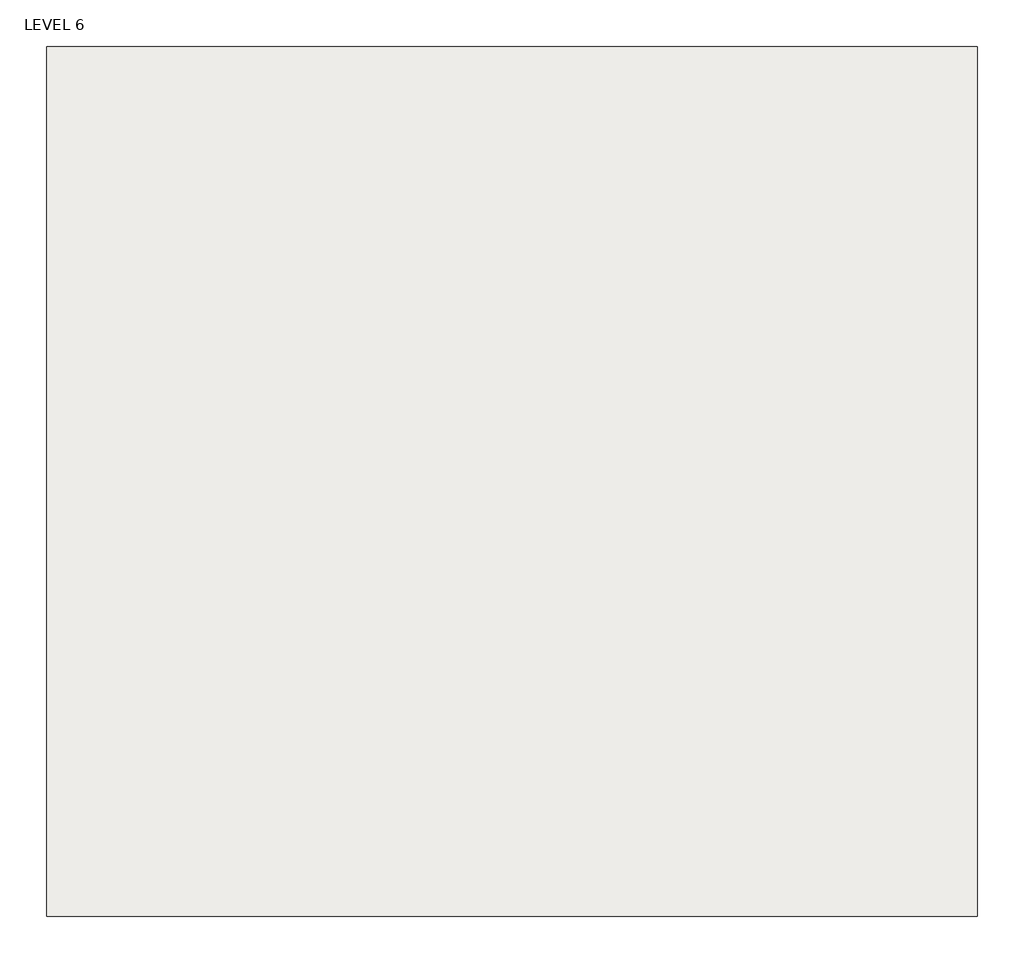
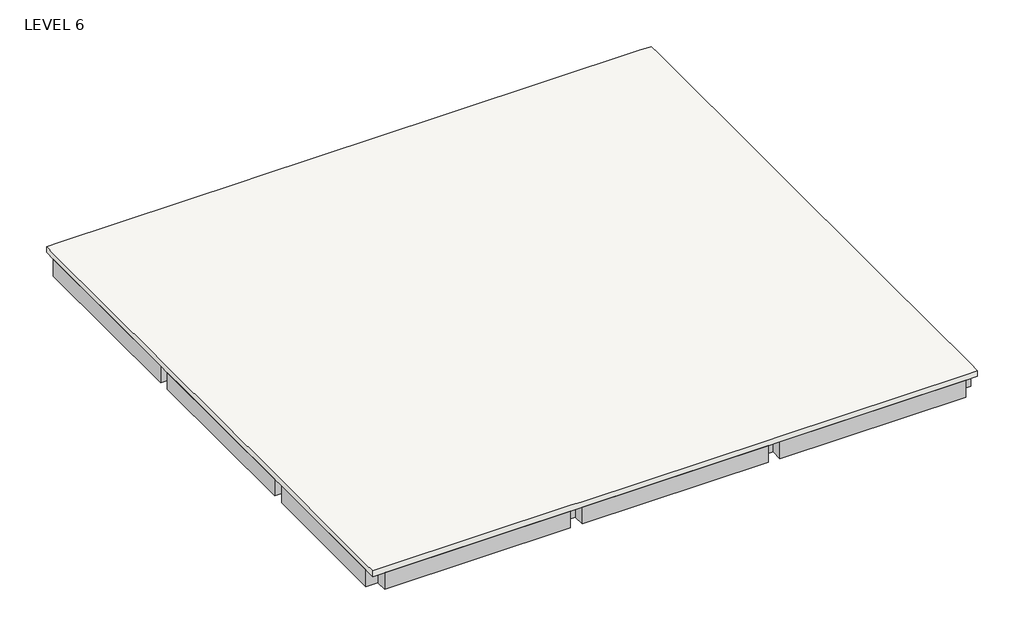
# One storey: 8 beams, 1 slab.
"""IFC4 building model written with IfcOpenShell, lengths in millimetres."""

from ifc_helpers import new_model, si_unit, frame, origin, place, context, project, spatial, polyline, outline, extrude, faceted_brep, element, save

model = new_model("IFC4")

# Units and contexts
model_context = context("Model", 3, world=origin())
ifc_project = project(units=[si_unit("LENGTHUNIT", "METRE", prefix="MILLI")], contexts=[model_context])

# Site, building, storey
site = spatial("IfcSite", under=ifc_project)
building = spatial("IfcBuilding", under=site)
storey = spatial("IfcBuildingStorey", under=building, Name="LEVEL 6", Elevation=4000.0)

# Beams
placement = place(None, origin())
element("IfcBeam", 1, ObjectType="M_Concrete-Rectangular Beam : 300 x 600mm", at=placement, inside=storey, context=model_context, shape_type="SweptSolid", body=[
    extrude(outline(polyline([(-32641.1943878, -22458.351884), (-32641.1943878, -22758.351884), (-37341.1943878, -22758.351884), (-37341.1943878, -22458.351884), (-32641.1943878, -22458.351884)])), frame((0.0, 0.0, 3400.0), z_axis=(0.0, 0.0, 1.0), x_axis=(1.0, 0.0, 0.0)), (0.0, 0.0, 1.0), 450.0),
    extrude(outline(polyline([(-47341.1943878, -22758.351884), (-47341.1943878, -22458.351884), (-42641.1943878, -22458.351884), (-42641.1943878, -22758.351884), (-47341.1943878, -22758.351884)])), frame((0.0, 0.0, 3400.0), z_axis=(0.0, 0.0, 1.0), x_axis=(1.0, 0.0, 0.0)), (0.0, 0.0, 1.0), 450.0),
    extrude(outline(polyline([(-42341.1943878, -22758.351884), (-42341.1943878, -22458.351884), (-37641.1943878, -22458.351884), (-37641.1943878, -22758.351884), (-42341.1943878, -22758.351884)])), frame((0.0, 0.0, 3400.0), z_axis=(0.0, 0.0, 1.0), x_axis=(1.0, 0.0, 0.0)), (0.0, 0.0, 1.0), 450.0),
])
element("IfcBeam", 2, ObjectType="M_Concrete-Rectangular Beam : 300 x 600mm", at=placement, inside=storey, context=model_context, shape_type="SweptSolid", body=[
    extrude(outline(polyline([(-32341.1943878, -36458.351884), (-32641.1943878, -36458.351884), (-32641.1943878, -32758.351884), (-32341.1943878, -32758.351884), (-32341.1943878, -36458.351884)])), frame((0.0, 0.0, 3400.0), z_axis=(0.0, 0.0, 1.0), x_axis=(1.0, 0.0, 0.0)), (0.0, 0.0, 1.0), 450.0),
    extrude(outline(polyline([(-32641.1943878, -22758.351884), (-32341.1943878, -22758.351884), (-32341.1943878, -27458.351884), (-32641.1943878, -27458.351884), (-32641.1943878, -22758.351884)])), frame((0.0, 0.0, 3400.0), z_axis=(0.0, 0.0, 1.0), x_axis=(1.0, 0.0, 0.0)), (0.0, 0.0, 1.0), 450.0),
    extrude(outline(polyline([(-32341.1943878, -32458.351884), (-32641.1943878, -32458.351884), (-32641.1943878, -27758.351884), (-32341.1943878, -27758.351884), (-32341.1943878, -32458.351884)])), frame((0.0, 0.0, 3400.0), z_axis=(0.0, 0.0, 1.0), x_axis=(1.0, 0.0, 0.0)), (0.0, 0.0, 1.0), 450.0),
])
element("IfcBeam", 3, ObjectType="M_Concrete-Rectangular Beam : 300 x 600mm", at=placement, inside=storey, context=model_context, shape_type="SweptSolid", body=[
    extrude(outline(polyline([(-47341.1943878, -36458.351884), (-47641.1943878, -36458.351884), (-47641.1943878, -32758.351884), (-47341.1943878, -32758.351884), (-47341.1943878, -36458.351884)])), frame((0.0, 0.0, 3400.0), z_axis=(0.0, 0.0, 1.0), x_axis=(1.0, 0.0, 0.0)), (0.0, 0.0, 1.0), 450.0),
    extrude(outline(polyline([(-47641.1943878, -22758.351884), (-47341.1943878, -22758.351884), (-47341.1943878, -27458.351884), (-47641.1943878, -27458.351884), (-47641.1943878, -22758.351884)])), frame((0.0, 0.0, 3400.0), z_axis=(0.0, 0.0, 1.0), x_axis=(1.0, 0.0, 0.0)), (0.0, 0.0, 1.0), 450.0),
    extrude(outline(polyline([(-47341.1943878, -32458.351884), (-47641.1943878, -32458.351884), (-47641.1943878, -27758.351884), (-47341.1943878, -27758.351884), (-47341.1943878, -32458.351884)])), frame((0.0, 0.0, 3400.0), z_axis=(0.0, 0.0, 1.0), x_axis=(1.0, 0.0, 0.0)), (0.0, 0.0, 1.0), 450.0),
])
element("IfcBeam", 4, ObjectType="M_Concrete-Rectangular Beam : 300 x 600mm", at=placement, inside=storey, context=model_context, shape_type="SweptSolid", body=[
    extrude(outline(polyline([(-32641.1943878, -36458.351884), (-32641.1943878, -36758.351884), (-37341.1943878, -36758.351884), (-37341.1943878, -36458.351884), (-32641.1943878, -36458.351884)])), frame((0.0, 0.0, 3400.0), z_axis=(0.0, 0.0, 1.0), x_axis=(1.0, 0.0, 0.0)), (0.0, 0.0, 1.0), 450.0),
    extrude(outline(polyline([(-47341.1943878, -36758.351884), (-47341.1943878, -36458.351884), (-42641.1943878, -36458.351884), (-42641.1943878, -36758.351884), (-47341.1943878, -36758.351884)])), frame((0.0, 0.0, 3400.0), z_axis=(0.0, 0.0, 1.0), x_axis=(1.0, 0.0, 0.0)), (0.0, 0.0, 1.0), 450.0),
    extrude(outline(polyline([(-42341.1943878, -36758.351884), (-42341.1943878, -36458.351884), (-37641.1943878, -36458.351884), (-37641.1943878, -36758.351884), (-42341.1943878, -36758.351884)])), frame((0.0, 0.0, 3400.0), z_axis=(0.0, 0.0, 1.0), x_axis=(1.0, 0.0, 0.0)), (0.0, 0.0, 1.0), 450.0),
])
element("IfcBeam", 5, ObjectType="M_Concrete-Rectangular Beam : 300 x 600mm", at=placement, inside=storey, context=model_context, shape_type="SweptSolid", body=[
    extrude(outline(polyline([(-37341.1943878, -27758.351884), (-37341.1943878, -27458.351884), (-32641.1943878, -27458.351884), (-32641.1943878, -27758.351884), (-37341.1943878, -27758.351884)])), frame((0.0, 0.0, 3400.0), z_axis=(0.0, 0.0, 1.0), x_axis=(1.0, 0.0, 0.0)), (0.0, 0.0, 1.0), 450.0),
    extrude(outline(polyline([(-42341.1943878, -27758.351884), (-42341.1943878, -27458.351884), (-37641.1943878, -27458.351884), (-37641.1943878, -27758.351884), (-42341.1943878, -27758.351884)])), frame((0.0, 0.0, 3400.0), z_axis=(0.0, 0.0, 1.0), x_axis=(1.0, 0.0, 0.0)), (0.0, 0.0, 1.0), 450.0),
    extrude(outline(polyline([(-42641.1943878, -27458.351884), (-42641.1943878, -27758.351884), (-47341.1943878, -27758.351884), (-47341.1943878, -27458.351884), (-42641.1943878, -27458.351884)])), frame((0.0, 0.0, 3400.0), z_axis=(0.0, 0.0, 1.0), x_axis=(1.0, 0.0, 0.0)), (0.0, 0.0, 1.0), 450.0),
])
element("IfcBeam", 6, ObjectType="M_Concrete-Rectangular Beam : 300 x 600mm", at=placement, inside=storey, context=model_context, shape_type="SweptSolid", body=[
    extrude(outline(polyline([(-37341.1943878, -32758.351884), (-37341.1943878, -32458.351884), (-32641.1943878, -32458.351884), (-32641.1943878, -32758.351884), (-37341.1943878, -32758.351884)])), frame((0.0, 0.0, 3400.0), z_axis=(0.0, 0.0, 1.0), x_axis=(1.0, 0.0, 0.0)), (0.0, 0.0, 1.0), 450.0),
    extrude(outline(polyline([(-42341.1943878, -32758.351884), (-42341.1943878, -32458.351884), (-37641.1943878, -32458.351884), (-37641.1943878, -32758.351884), (-42341.1943878, -32758.351884)])), frame((0.0, 0.0, 3400.0), z_axis=(0.0, 0.0, 1.0), x_axis=(1.0, 0.0, 0.0)), (0.0, 0.0, 1.0), 450.0),
    extrude(outline(polyline([(-42641.1943878, -32458.351884), (-42641.1943878, -32758.351884), (-47341.1943878, -32758.351884), (-47341.1943878, -32458.351884), (-42641.1943878, -32458.351884)])), frame((0.0, 0.0, 3400.0), z_axis=(0.0, 0.0, 1.0), x_axis=(1.0, 0.0, 0.0)), (0.0, 0.0, 1.0), 450.0),
])
element("IfcBeam", 7, ObjectType="M_Concrete-Rectangular Beam : 300 x 600mm", at=placement, inside=storey, context=model_context, shape_type="SweptSolid", body=[
    extrude(outline(polyline([(-42641.1943878, -32758.351884), (-42341.1943878, -32758.351884), (-42341.1943878, -36458.351884), (-42641.1943878, -36458.351884), (-42641.1943878, -32758.351884)])), frame((0.0, 0.0, 3400.0), z_axis=(0.0, 0.0, 1.0), x_axis=(1.0, 0.0, 0.0)), (0.0, 0.0, 1.0), 450.0),
    extrude(outline(polyline([(-42641.1943878, -27758.351884), (-42341.1943878, -27758.351884), (-42341.1943878, -32458.351884), (-42641.1943878, -32458.351884), (-42641.1943878, -27758.351884)])), frame((0.0, 0.0, 3400.0), z_axis=(0.0, 0.0, 1.0), x_axis=(1.0, 0.0, 0.0)), (0.0, 0.0, 1.0), 450.0),
    extrude(outline(polyline([(-42341.1943878, -27458.351884), (-42641.1943878, -27458.351884), (-42641.1943878, -22758.351884), (-42341.1943878, -22758.351884), (-42341.1943878, -27458.351884)])), frame((0.0, 0.0, 3400.0), z_axis=(0.0, 0.0, 1.0), x_axis=(1.0, 0.0, 0.0)), (0.0, 0.0, 1.0), 450.0),
])
element("IfcBeam", 8, ObjectType="M_Concrete-Rectangular Beam : 300 x 600mm", at=placement, inside=storey, context=model_context, shape_type="SweptSolid", body=[
    extrude(outline(polyline([(-37641.1943878, -32758.351884), (-37341.1943878, -32758.351884), (-37341.1943878, -36458.351884), (-37641.1943878, -36458.351884), (-37641.1943878, -32758.351884)])), frame((0.0, 0.0, 3400.0), z_axis=(0.0, 0.0, 1.0), x_axis=(1.0, 0.0, 0.0)), (0.0, 0.0, 1.0), 450.0),
    extrude(outline(polyline([(-37641.1943878, -27758.351884), (-37341.1943878, -27758.351884), (-37341.1943878, -32458.351884), (-37641.1943878, -32458.351884), (-37641.1943878, -27758.351884)])), frame((0.0, 0.0, 3400.0), z_axis=(0.0, 0.0, 1.0), x_axis=(1.0, 0.0, 0.0)), (0.0, 0.0, 1.0), 450.0),
    extrude(outline(polyline([(-37341.1943878, -27458.351884), (-37641.1943878, -27458.351884), (-37641.1943878, -22758.351884), (-37341.1943878, -22758.351884), (-37341.1943878, -27458.351884)])), frame((0.0, 0.0, 3400.0), z_axis=(0.0, 0.0, 1.0), x_axis=(1.0, 0.0, 0.0)), (0.0, 0.0, 1.0), 450.0),
])

# Slab
element("IfcSlab", 9, ObjectType="150MM RCC STRUCTURAL SLAB", at=placement, inside=storey, context=model_context, shape_type="Brep", body=[
    faceted_brep([(-32341.1943878, -22458.351884, 3850.0), (-32341.1943878, -22758.351884, 3850.0), (-32341.1943878, -27458.351884, 3850.0), (-32341.1943878, -27758.351884, 3850.0), (-32341.1943878, -32458.351884, 3850.0), (-32341.1943878, -32758.351884, 3850.0), (-32341.1943878, -36458.351884, 3850.0), (-32341.1943878, -36758.351884, 3850.0), (-32641.1943878, -36758.351884, 3850.0), (-37341.1943878, -36758.351884, 3850.0), (-37641.1943878, -36758.351884, 3850.0), (-42341.1943878, -36758.351884, 3850.0), (-42641.1943878, -36758.351884, 3850.0), (-47341.1943878, -36758.351884, 3850.0), (-47641.1943878, -36758.351884, 3850.0), (-47641.1943878, -36458.351884, 3850.0), (-47641.1943878, -32758.351884, 3850.0), (-47641.1943878, -32458.351884, 3850.0), (-47641.1943878, -27758.351884, 3850.0), (-47641.1943878, -27458.351884, 3850.0), (-47641.1943878, -22758.351884, 3850.0), (-47641.1943878, -22458.351884, 3850.0), (-47341.1943878, -22458.351884, 3850.0), (-42641.1943878, -22458.351884, 3850.0), (-42341.1943878, -22458.351884, 3850.0), (-37641.1943878, -22458.351884, 3850.0), (-37341.1943878, -22458.351884, 3850.0), (-32641.1943878, -22458.351884, 3850.0), (-32341.1943878, -22458.351884, 4000.0), (-32641.1943878, -22458.351884, 4000.0), (-37341.1943878, -22458.351884, 4000.0), (-37641.1943878, -22458.351884, 4000.0), (-42341.1943878, -22458.351884, 4000.0), (-42641.1943878, -22458.351884, 4000.0), (-47341.1943878, -22458.351884, 4000.0), (-47641.1943878, -22458.351884, 4000.0), (-47641.1943878, -22758.351884, 4000.0), (-47641.1943878, -27458.351884, 4000.0), (-47641.1943878, -27758.351884, 4000.0), (-47641.1943878, -32458.351884, 4000.0), (-47641.1943878, -32758.351884, 4000.0), (-47641.1943878, -36458.351884, 4000.0), (-47641.1943878, -36758.351884, 4000.0), (-47341.1943878, -36758.351884, 4000.0), (-42641.1943878, -36758.351884, 4000.0), (-42341.1943878, -36758.351884, 4000.0), (-37641.1943878, -36758.351884, 4000.0), (-37341.1943878, -36758.351884, 4000.0), (-32641.1943878, -36758.351884, 4000.0), (-32341.1943878, -36758.351884, 4000.0), (-32341.1943878, -36458.351884, 4000.0), (-32341.1943878, -32758.351884, 4000.0), (-32341.1943878, -32458.351884, 4000.0), (-32341.1943878, -27758.351884, 4000.0), (-32341.1943878, -27458.351884, 4000.0), (-32341.1943878, -22758.351884, 4000.0)], [[[0, 1, 2, 3, 4, 5, 6, 7, 8, 9, 10, 11, 12, 13, 14, 15, 16, 17, 18, 19, 20, 21, 22, 23, 24, 25, 26, 27]], [[28, 29, 30, 31, 32, 33, 34, 35, 36, 37, 38, 39, 40, 41, 42, 43, 44, 45, 46, 47, 48, 49, 50, 51, 52, 53, 54, 55]], [[7, 6, 5, 4, 3, 2, 1, 0, 28, 55, 54, 53, 52, 51, 50, 49]], [[14, 13, 12, 11, 10, 9, 8, 7, 49, 48, 47, 46, 45, 44, 43, 42]], [[21, 20, 19, 18, 17, 16, 15, 14, 42, 41, 40, 39, 38, 37, 36, 35]], [[0, 27, 26, 25, 24, 23, 22, 21, 35, 34, 33, 32, 31, 30, 29, 28]]]),
])

save(model, "model.ifc")
